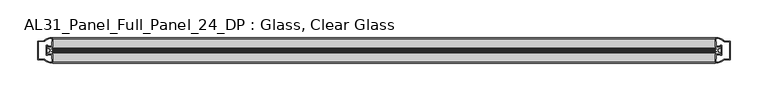
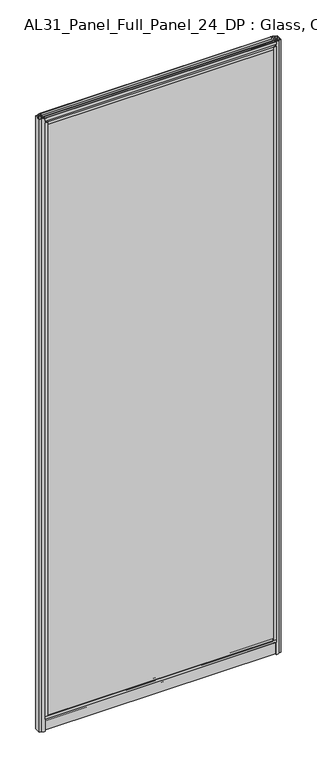
"""IFC4 building model written with IfcOpenShell, lengths in millimetres: plate geometry, AL31_Panel_Full_Panel_24_DP : Glass, Clear Glass."""

from ifc_helpers import new_model, si_unit, point, frame, frame_2d, origin, origin_with_axes, place, context, project, spatial, polyline, circle_curve, trimmed, segment, composite_curve, outline, extrude, source, transform, mapped, element, save


def al31_panel_full_panel_24_dp_glass_clear_glass_e403cb52(model_context):
    return source(origin(), model_context, "Body", "SweptSolid", [
        extrude(outline(composite_curve([segment(polyline([(-20.7348244, 46.2206013), (-21.2892398, 45.1563534)]), True, "CONTINUOUS"), segment(trimmed(circle_curve(frame_2d((-19.857, 47.9056604)), 3.1), [point((-21.2892398, 45.1563534))], [point((-22.907, 47.3511336))], False, "CARTESIAN"), True, "CONTINUOUS"), segment(polyline([(-22.907, 47.3511336), (-22.907, 41.9), (-24.857, 41.9), (-24.857, 49.4), (-36.857, 49.4), (-36.857, 59.2), (-34.657, 59.2), (-34.657, 51.3), (-5.057, 51.3), (-5.057, 59.2), (-2.857, 59.2), (-2.857, 49.4), (-14.857, 49.4), (-14.857, 41.9), (-16.807, 41.9), (-16.807, 47.3511336)]), True, "CONTINUOUS"), segment(trimmed(circle_curve(frame_2d((-19.857, 47.9056604)), 3.1), [point((-16.807, 47.3511336))], [point((-18.4247602, 45.1563534))], False, "CARTESIAN"), True, "CONTINUOUS"), segment(polyline([(-18.4247602, 45.1563534), (-18.9791756, 46.2206013)]), True, "CONTINUOUS"), segment(trimmed(circle_curve(frame_2d((-19.857, 47.9056604)), 1.9), [point((-18.9791756, 46.2206013))], [point((-19.857, 49.8056604))], True, "CARTESIAN"), True, "CONTINUOUS"), segment(trimmed(circle_curve(frame_2d((-19.857, 47.9056604)), 1.9), [point((-19.857, 49.8056604))], [point((-20.7348244, 46.2206013))], True, "CARTESIAN"), True, "CONTINUOUS")], self_intersect=False)), frame((-441.4301316, 0.0, 0.0), z_axis=(1.0, 0.0, 0.0), x_axis=(0.0, 1.0, 0.0)), (0.0, 0.0, 1.0), 882.8602632),
        extrude(outline(composite_curve([segment(trimmed(circle_curve(frame_2d((-442.9244712, -19.857)), 1.9), [point((-444.6095303, -20.7348244))], [point((-441.0244712, -19.857))], True, "CARTESIAN"), True, "CONTINUOUS"), segment(trimmed(circle_curve(frame_2d((-442.9244712, -19.857)), 1.9), [point((-441.0244712, -19.857))], [point((-444.6095303, -18.9791756))], True, "CARTESIAN"), True, "CONTINUOUS"), segment(polyline([(-444.6095303, -18.9791756), (-445.6737782, -18.4247602)]), True, "CONTINUOUS"), segment(trimmed(circle_curve(frame_2d((-442.9244712, -19.857)), 3.1), [point((-445.6737782, -18.4247602))], [point((-443.478998, -16.807))], False, "CARTESIAN"), True, "CONTINUOUS"), segment(polyline([(-443.478998, -16.807), (-448.9301316, -16.807), (-448.9301316, -14.857), (-441.4301316, -14.857), (-441.4301316, -2.857), (-431.6301316, -2.857), (-431.6301316, -5.057), (-439.5301316, -5.057), (-439.5301316, -34.657), (-431.6301316, -34.657), (-431.6301316, -36.857), (-441.4301316, -36.857), (-441.4301316, -24.857), (-448.9301316, -24.857), (-448.9301316, -22.907), (-443.478998, -22.907)]), True, "CONTINUOUS"), segment(trimmed(circle_curve(frame_2d((-442.9244712, -19.857)), 3.1), [point((-443.478998, -22.907))], [point((-445.6737782, -21.2892398))], False, "CARTESIAN"), True, "CONTINUOUS"), segment(polyline([(-445.6737782, -21.2892398), (-444.6095303, -20.7348244)]), True, "CONTINUOUS")], self_intersect=False)), frame((0.0, 0.0, 49.4), z_axis=(0.0, 0.0, 1.0), x_axis=(1.0, 0.0, 0.0)), (0.0, 0.0, 1.0), 2402.1572926),
        extrude(outline(composite_curve([segment(trimmed(circle_curve(frame_2d((442.9244712, -19.857)), 1.9), [point((444.6095303, -18.9791756))], [point((441.0244712, -19.857))], True, "CARTESIAN"), True, "CONTINUOUS"), segment(trimmed(circle_curve(frame_2d((442.9244712, -19.857)), 1.9), [point((441.0244712, -19.857))], [point((444.6095303, -20.7348244))], True, "CARTESIAN"), True, "CONTINUOUS"), segment(polyline([(444.6095303, -20.7348244), (445.6737782, -21.2892398)]), True, "CONTINUOUS"), segment(trimmed(circle_curve(frame_2d((442.9244712, -19.857)), 3.1), [point((445.6737782, -21.2892398))], [point((443.478998, -22.907))], False, "CARTESIAN"), True, "CONTINUOUS"), segment(polyline([(443.478998, -22.907), (448.9301316, -22.907), (448.9301316, -24.857), (441.4301316, -24.857), (441.4301316, -36.857), (431.6301316, -36.857), (431.6301316, -34.657), (439.5301316, -34.657), (439.5301316, -5.057), (431.6301316, -5.057), (431.6301316, -2.857), (441.4301316, -2.857), (441.4301316, -14.857), (448.9301316, -14.857), (448.9301316, -16.807), (443.478998, -16.807)]), True, "CONTINUOUS"), segment(trimmed(circle_curve(frame_2d((442.9244712, -19.857)), 3.1), [point((443.478998, -16.807))], [point((445.6737782, -18.4247602))], False, "CARTESIAN"), True, "CONTINUOUS"), segment(polyline([(445.6737782, -18.4247602), (444.6095303, -18.9791756)]), True, "CONTINUOUS")], self_intersect=False)), frame((0.0, 0.0, 49.4), z_axis=(0.0, 0.0, 1.0), x_axis=(1.0, 0.0, 0.0)), (0.0, 0.0, 1.0), 2402.1572926),
        extrude(outline(composite_curve([segment(polyline([(-18.9791756, 2454.7366913), (-18.4247602, 2455.8009392)]), True, "CONTINUOUS"), segment(trimmed(circle_curve(frame_2d((-19.857, 2453.0516322)), 3.1), [point((-18.4247602, 2455.8009392))], [point((-16.807, 2453.606159))], False, "CARTESIAN"), True, "CONTINUOUS"), segment(polyline([(-16.807, 2453.606159), (-16.807, 2459.0572926), (-14.857, 2459.0572926), (-14.857, 2451.5572926), (-2.857, 2451.5572926), (-2.857, 2441.7572926), (-5.057, 2441.7572926), (-5.057, 2449.6572926), (-34.657, 2449.6572926), (-34.657, 2441.7572926), (-36.857, 2441.7572926), (-36.857, 2451.5572926), (-24.857, 2451.5572926), (-24.857, 2459.0572926), (-22.907, 2459.0572926), (-22.907, 2453.606159)]), True, "CONTINUOUS"), segment(trimmed(circle_curve(frame_2d((-19.857, 2453.0516322)), 3.1), [point((-22.907, 2453.606159))], [point((-21.2892398, 2455.8009392))], False, "CARTESIAN"), True, "CONTINUOUS"), segment(polyline([(-21.2892398, 2455.8009392), (-20.7348244, 2454.7366913)]), True, "CONTINUOUS"), segment(trimmed(circle_curve(frame_2d((-19.857, 2453.0516322)), 1.9), [point((-20.7348244, 2454.7366913))], [point((-19.857, 2451.1516322))], True, "CARTESIAN"), True, "CONTINUOUS"), segment(trimmed(circle_curve(frame_2d((-19.857, 2453.0516322)), 1.9), [point((-19.857, 2451.1516322))], [point((-18.9791756, 2454.7366913))], True, "CARTESIAN"), True, "CONTINUOUS")], self_intersect=False)), frame((-441.4301316, 0.0, 0.0), z_axis=(1.0, 0.0, 0.0), x_axis=(0.0, 1.0, 0.0)), (0.0, 0.0, 1.0), 882.8602632),
        extrude(outline(composite_curve([segment(trimmed(circle_curve(frame_2d((-19.957, 2461.8572926)), 3.0), [point((-18.457, 2464.4553688))], [point((-17.4851586, 2460.1572926))], False, "CARTESIAN"), True, "CONTINUOUS"), segment(polyline([(-17.4851586, 2460.1572926), (-4.157, 2460.1572926), (-4.157, 2469.5572926), (-2.857, 2469.5572926), (-2.857, 2459.0572926), (-13.1545312, 2459.0572926), (-13.1545312, 2458.2572926), (-13.6601218, 2456.3357964), (-13.6601218, 2451.6572926), (-14.857, 2451.6572926), (-14.857, 2456.9912672), (-14.357, 2457.8572926), (-14.357, 2459.0572926), (-25.357, 2459.0572926), (-25.357, 2457.8572926), (-24.857, 2456.9912672), (-24.857, 2451.6572926), (-26.0538782, 2451.6572926), (-26.0538782, 2456.3357964), (-26.5594688, 2458.2572926), (-26.5594688, 2459.0572926), (-36.857, 2459.0572926), (-36.857, 2469.5572926), (-35.557, 2469.5572926), (-35.557, 2460.1572926), (-22.4288414, 2460.1572926)]), True, "CONTINUOUS"), segment(trimmed(circle_curve(frame_2d((-19.957, 2461.8572926)), 3.0), [point((-22.4288414, 2460.1572926))], [point((-21.457, 2464.4553688))], False, "CARTESIAN"), True, "CONTINUOUS"), segment(polyline([(-21.457, 2464.4553688), (-20.907, 2463.5027409)]), True, "CONTINUOUS"), segment(trimmed(circle_curve(frame_2d((-19.957, 2461.8572926)), 1.9), [point((-20.907, 2463.5027409))], [point((-19.007, 2463.5027409))], True, "CARTESIAN"), True, "CONTINUOUS"), segment(polyline([(-19.007, 2463.5027409), (-18.457, 2464.4553688)]), True, "CONTINUOUS")], self_intersect=False)), frame((-441.4301316, 0.0, 0.0), z_axis=(1.0, 0.0, 0.0), x_axis=(0.0, 1.0, 0.0)), (0.0, 0.0, 1.0), 882.8602632),
        extrude(outline(composite_curve([segment(polyline([(-11.457, 35.8), (-28.257, 35.8)]), True, "CONTINUOUS"), segment(trimmed(circle_curve(frame_2d((-28.257, 34.8)), 1.0), [point((-28.257, 35.8))], [point((-29.257, 34.8))], True, "CARTESIAN"), True, "CONTINUOUS"), segment(polyline([(-29.257, 34.8), (-29.257, 33.5), (-24.8569697, 33.5), (-24.8569697, 32.3), (-29.257, 32.3), (-29.257, 0.0), (-30.457, 0.0), (-30.457, 47.3)]), True, "CONTINUOUS"), segment(trimmed(circle_curve(frame_2d((-28.457, 47.3)), 2.0), [point((-30.457, 47.3))], [point((-28.457, 49.3))], False, "CARTESIAN"), True, "CONTINUOUS"), segment(polyline([(-28.457, 49.3), (-24.857, 49.3), (-24.857, 41.9), (-14.857, 41.9), (-14.857, 49.3), (-11.257, 49.3)]), True, "CONTINUOUS"), segment(trimmed(circle_curve(frame_2d((-11.257, 47.3)), 2.0), [point((-11.257, 49.3))], [point((-9.257, 47.3))], False, "CARTESIAN"), True, "CONTINUOUS"), segment(polyline([(-9.257, 47.3), (-9.257, 0.0), (-10.457, 0.0), (-10.457, 32.3), (-14.8569697, 32.3), (-14.8569697, 33.5), (-10.457, 33.5), (-10.457, 34.8)]), True, "CONTINUOUS"), segment(trimmed(circle_curve(frame_2d((-11.457, 34.8)), 1.0), [point((-10.457, 34.8))], [point((-11.457, 35.8))], True, "CARTESIAN"), True, "CONTINUOUS")], self_intersect=False), holes=[composite_curve([segment(polyline([(-26.3594688, 41.8), (-26.3594688, 42.9)]), True, "CONTINUOUS"), segment(trimmed(circle_curve(frame_2d((-25.1594688, 42.9)), 1.2), [point((-26.3594688, 42.9))], [point((-25.9768184, 43.7786009))], False, "CARTESIAN"), True, "CONTINUOUS"), segment(polyline([(-25.9768184, 43.7786009), (-25.9768184, 48.2), (-28.257, 48.2)]), True, "CONTINUOUS"), segment(trimmed(circle_curve(frame_2d((-28.257, 47.2)), 1.0), [point((-28.257, 48.2))], [point((-29.257, 47.2))], True, "CARTESIAN"), True, "CONTINUOUS"), segment(polyline([(-29.257, 47.2), (-29.257, 37.04), (-22.6578965, 37.04), (-22.6578965, 38.0725806), (-21.6940508, 38.0725806)]), True, "CONTINUOUS"), segment(trimmed(circle_curve(frame_2d((-19.857, 39.1)), 2.1048387), [point((-21.6940508, 38.0725806))], [point((-18.0199492, 38.0725806))], True, "CARTESIAN"), True, "CONTINUOUS"), segment(polyline([(-18.0199492, 38.0725806), (-17.0561035, 38.0725806), (-17.0561035, 37.04), (-10.457, 37.04), (-10.457, 47.2)]), True, "CONTINUOUS"), segment(trimmed(circle_curve(frame_2d((-11.457, 47.2)), 1.0), [point((-10.457, 47.2))], [point((-11.457, 48.2))], True, "CARTESIAN"), True, "CONTINUOUS"), segment(polyline([(-11.457, 48.2), (-13.7371816, 48.2), (-13.7371816, 43.5786009)]), True, "CONTINUOUS"), segment(trimmed(circle_curve(frame_2d((-14.5545312, 42.7)), 1.2), [point((-13.7371816, 43.5786009))], [point((-13.3545312, 42.7))], False, "CARTESIAN"), True, "CONTINUOUS"), segment(polyline([(-13.3545312, 42.7), (-13.3545312, 41.8)]), True, "CONTINUOUS"), segment(trimmed(circle_curve(frame_2d((-14.3545312, 41.8)), 1.0), [point((-13.3545312, 41.8))], [point((-14.3545312, 40.8))], False, "CARTESIAN"), True, "CONTINUOUS"), segment(polyline([(-14.3545312, 40.8), (-17.0561035, 40.8), (-17.0561035, 39.7274194), (-18.0199492, 39.7274194)]), True, "CONTINUOUS"), segment(trimmed(circle_curve(frame_2d((-19.857, 38.7)), 2.1048387), [point((-18.0199492, 39.7274194))], [point((-21.6940508, 39.7274194))], True, "CARTESIAN"), True, "CONTINUOUS"), segment(polyline([(-21.6940508, 39.7274194), (-22.6578965, 39.7274194), (-22.6578965, 40.8), (-25.3594688, 40.8)]), True, "CONTINUOUS"), segment(trimmed(circle_curve(frame_2d((-25.3594688, 41.8)), 1.0), [point((-25.3594688, 40.8))], [point((-26.3594688, 41.8))], False, "CARTESIAN"), True, "CONTINUOUS")], self_intersect=False)]), frame((-441.4301316, 0.0, 0.0), z_axis=(1.0, 0.0, 0.0), x_axis=(0.0, 1.0, 0.0)), (0.0, 0.0, 1.0), 882.8602632),
        extrude(outline(composite_curve([segment(polyline([(-449.271553, -25.757), (-448.071553, -25.757), (-448.071553, -24.857), (-441.4301316, -24.857), (-441.4301316, -36.8571453)]), True, "CONTINUOUS"), segment(trimmed(circle_curve(frame_2d((-441.06548, -16.8604698)), 20.0), [point((-441.4301316, -36.8571453))], [point((-452.7859668, -33.0663388))], False, "CARTESIAN"), True, "CONTINUOUS"), segment(polyline([(-452.7859668, -33.0663388), (-452.7859668, -32.1849343), (-461.4301316, -32.1849343), (-461.4301316, -7.4849343), (-452.7859668, -7.4849343), (-452.7859668, -6.6474751)]), True, "CONTINUOUS"), segment(trimmed(circle_curve(frame_2d((-441.06548, -22.8533441)), 20.0), [point((-452.7859668, -6.6474751))], [point((-441.4301316, -2.8566686))], False, "CARTESIAN"), True, "CONTINUOUS"), segment(polyline([(-441.4301316, -2.8566686), (-441.4301316, -14.857), (-448.071553, -14.857), (-448.071553, -13.957), (-449.271553, -13.957), (-449.271553, -25.757)]), True, "CONTINUOUS")], self_intersect=False), holes=[composite_curve([segment(trimmed(circle_curve(frame_2d((-448.271553, -14.157)), 1.5), [point((-448.271553, -12.657))], [point((-446.9162987, -13.5141269))], False, "CARTESIAN"), True, "CONTINUOUS"), segment(polyline([(-446.9162987, -13.5141269), (-443.171553, -13.5141269), (-443.171553, -8.917777), (-442.7322131, -7.8571168), (-442.7322131, -4.2070183)]), True, "CONTINUOUS"), segment(trimmed(circle_curve(frame_2d((-441.06548, -22.8325921)), 18.7), [point((-442.7322131, -4.2070183))], [point((-451.0722578, -7.0353013))], True, "CARTESIAN"), True, "CONTINUOUS"), segment(trimmed(circle_curve(frame_2d((-452.871553, -6.9849343)), 1.8), [point((-451.0722578, -7.0353013))], [point((-452.871553, -8.7849343))], False, "CARTESIAN"), True, "CONTINUOUS"), segment(polyline([(-452.871553, -8.7849343), (-460.0129743, -8.7849343), (-460.0129743, -13.3550394), (-459.571553, -14.417777), (-459.571553, -25.2520916), (-460.071553, -26.2449987), (-460.071553, -30.8849343), (-452.871553, -30.8849343)]), True, "CONTINUOUS"), segment(trimmed(circle_curve(frame_2d((-452.871553, -32.6849343)), 1.8), [point((-452.871553, -30.8849343))], [point((-451.0722578, -32.6345673))], False, "CARTESIAN"), True, "CONTINUOUS"), segment(trimmed(circle_curve(frame_2d((-441.06548, -16.8372765)), 18.7), [point((-451.0722578, -32.6345673))], [point((-442.7322131, -35.4628503))], True, "CARTESIAN"), True, "CONTINUOUS"), segment(polyline([(-442.7322131, -35.4628503), (-442.7322131, -31.8127518), (-443.171553, -30.7520916), (-443.171553, -26.1561308), (-446.8964012, -26.1561308)]), True, "CONTINUOUS"), segment(trimmed(circle_curve(frame_2d((-448.271553, -25.557)), 1.5), [point((-446.8964012, -26.1561308))], [point((-448.271553, -27.057))], False, "CARTESIAN"), True, "CONTINUOUS"), segment(polyline([(-448.271553, -27.057), (-450.571553, -27.057), (-450.571553, -12.657), (-448.271553, -12.657)]), True, "CONTINUOUS")], self_intersect=False)]), origin_with_axes(), (0.0, 0.0, 1.0), 2469.5572926),
        extrude(outline(composite_curve([segment(polyline([(449.271553, -13.957), (448.071553, -13.957), (448.071553, -14.857), (441.4301316, -14.857), (441.4301316, -2.8568547)]), True, "CONTINUOUS"), segment(trimmed(circle_curve(frame_2d((441.06548, -22.8535302)), 20.0), [point((441.4301316, -2.8568547))], [point((452.7859668, -6.6476612))], False, "CARTESIAN"), True, "CONTINUOUS"), segment(polyline([(452.7859668, -6.6476612), (452.7859668, -7.5290657), (461.4301316, -7.5290657), (461.4301316, -32.2290657), (452.7859668, -32.2290657), (452.7859668, -33.0665249)]), True, "CONTINUOUS"), segment(trimmed(circle_curve(frame_2d((441.06548, -16.8606559)), 20.0), [point((452.7859668, -33.0665249))], [point((441.4301316, -36.8573314))], False, "CARTESIAN"), True, "CONTINUOUS"), segment(polyline([(441.4301316, -36.8573314), (441.4301316, -24.857), (448.071553, -24.857), (448.071553, -25.757), (449.271553, -25.757), (449.271553, -13.957)]), True, "CONTINUOUS")], self_intersect=False), holes=[composite_curve([segment(trimmed(circle_curve(frame_2d((448.271553, -25.557)), 1.5), [point((448.271553, -27.057))], [point((446.9162987, -26.1998731))], False, "CARTESIAN"), True, "CONTINUOUS"), segment(polyline([(446.9162987, -26.1998731), (443.171553, -26.1998731), (443.171553, -30.796223), (442.7322131, -31.8568832), (442.7322131, -35.5069817)]), True, "CONTINUOUS"), segment(trimmed(circle_curve(frame_2d((441.06548, -16.8814079)), 18.7), [point((442.7322131, -35.5069817))], [point((451.0722578, -32.6786987))], True, "CARTESIAN"), True, "CONTINUOUS"), segment(trimmed(circle_curve(frame_2d((452.871553, -32.7290657)), 1.8), [point((451.0722578, -32.6786987))], [point((452.871553, -30.9290657))], False, "CARTESIAN"), True, "CONTINUOUS"), segment(polyline([(452.871553, -30.9290657), (460.0129743, -30.9290657), (460.0129743, -26.3589606), (459.571553, -25.296223), (459.571553, -14.4619084), (460.071553, -13.4690013), (460.071553, -8.8290657), (452.871553, -8.8290657)]), True, "CONTINUOUS"), segment(trimmed(circle_curve(frame_2d((452.871553, -7.0290657)), 1.8), [point((452.871553, -8.8290657))], [point((451.0722578, -7.0794327))], False, "CARTESIAN"), True, "CONTINUOUS"), segment(trimmed(circle_curve(frame_2d((441.06548, -22.8767235)), 18.7), [point((451.0722578, -7.0794327))], [point((442.7322131, -4.2511497))], True, "CARTESIAN"), True, "CONTINUOUS"), segment(polyline([(442.7322131, -4.2511497), (442.7322131, -7.9012482), (443.171553, -8.9619084), (443.171553, -13.5578692), (446.8964012, -13.5578692)]), True, "CONTINUOUS"), segment(trimmed(circle_curve(frame_2d((448.271553, -14.157)), 1.5), [point((446.8964012, -13.5578692))], [point((448.271553, -12.657))], False, "CARTESIAN"), True, "CONTINUOUS"), segment(polyline([(448.271553, -12.657), (450.571553, -12.657), (450.571553, -27.057), (448.271553, -27.057)]), True, "CONTINUOUS")], self_intersect=False)]), origin_with_axes(), (0.0, 0.0, 1.0), 2469.5572926),
        extrude(outline(polyline([(439.5301316, -27.857), (439.5301316, -31.857), (-439.5301316, -31.857), (-439.5301316, -27.857), (439.5301316, -27.857)])), frame((0.0, 0.0, 51.3), z_axis=(0.0, 0.0, 1.0), x_axis=(1.0, 0.0, 0.0)), (0.0, 0.0, 1.0), 2398.3572926),
        extrude(outline(polyline([(439.5301316, -7.857), (439.5301316, -11.857), (-439.5301316, -11.857), (-439.5301316, -7.857), (439.5301316, -7.857)])), frame((0.0, 0.0, 51.3), z_axis=(0.0, 0.0, 1.0), x_axis=(1.0, 0.0, 0.0)), (0.0, 0.0, 1.0), 2398.3572926),
    ])


if __name__ == "__main__":
    model = new_model("IFC4")
    model_context = context("Model", 3, world=origin())
    ifc_project = project(units=[si_unit("LENGTHUNIT", "METRE", prefix="MILLI")], contexts=[model_context])
    site = spatial("IfcSite", under=ifc_project)
    building = spatial("IfcBuilding", under=site)
    placement = place(None, origin())
    al31_panel_full_panel_24_dp_glass_clear_glass_shape = al31_panel_full_panel_24_dp_glass_clear_glass_e403cb52(model_context)
    element("IfcPlate", 1, ObjectType="AL31_Panel_Full_Panel_24_DP : Glass, Clear Glass", at=placement, inside=building, context=model_context, shape_type="MappedRepresentation", body=[
        mapped(al31_panel_full_panel_24_dp_glass_clear_glass_shape, transform((0.0, 0.0, 0.0), x_axis=(1.0, 0.0, 0.0), y_axis=(0.0, 1.0, 0.0), z_axis=(0.0, 0.0, 1.0))),
    ])
    save(model, "model.ifc")
